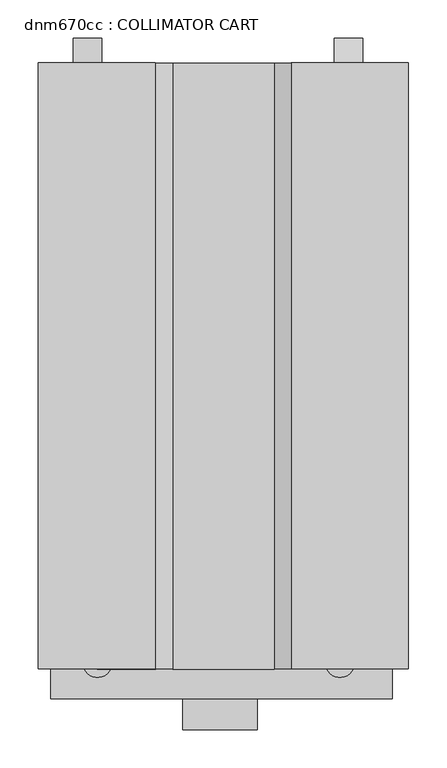
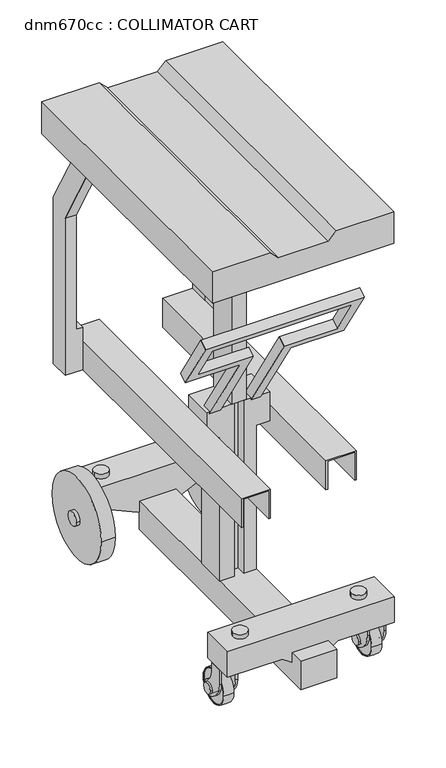
"""IFC4 building model written with IfcOpenShell, lengths in millimetres: proxy geometry, dnm670cc : COLLIMATOR CART."""

from ifc_helpers import new_model, si_unit, point, frame, frame_2d, origin, place, context, project, spatial, polyline, circle_curve, ellipse_curve, trimmed, segment, composite_curve, outline, extrude, faceted_brep, source, transform, mapped, element, save
from ifc_brep_helpers import plane_surface, revolved_surface, advanced_brep


def dnm670cc_collimator_cart_15fbf50c(model_context):
    return source(origin(), model_context, "Body", "SolidModel", [
        advanced_brep(
        [(380.5506847, -702.177546, 28.9965135), (380.5506847, -795.7896241, 28.9965135), (352.5506847, -795.7896241, 28.9965135), (352.5506847, -702.177546, 28.9965135), (352.5506847, -703.9835851, 28.9965135), (352.5506847, -793.9835851, 28.9965135), (380.5506847, -793.9835851, 28.9965135), (380.5506847, -703.9835851, 28.9965135)],
        [
            (0, 1, circle_curve(frame((380.5506847, -748.9835851, 28.9965135), z_axis=(-1.0, 0.0, 0.0), x_axis=(0.0, -1.0000000000000007, 0.0)), 46.8060391)),
            (1, 2, circle_curve(frame((366.5506847, -717.4078321, 28.9965135), z_axis=(0.0, 0.0, -1.0), x_axis=(0.0, 1.0000000000000007, 0.0)), 79.6222664)),
            (2, 3, circle_curve(frame((352.5506847, -748.9835851, 28.9965135), z_axis=(1.0, 0.0, 0.0), x_axis=(0.0, -1.0000000000000007, 0.0)), 46.8060391)),
            (3, 0, circle_curve(frame((366.5506847, -780.559338, 28.9965135), z_axis=(0.0, 0.0, -1.0), x_axis=(0.0, -1.0000000000000007, 0.0)), 79.6222664)),
            (4, 5, circle_curve(frame((352.5506847, -748.9835851, 28.9965135), z_axis=(-1.0, 0.0, 0.0), x_axis=(0.0, -1.0000000000000007, 0.0)), 45.0)),
            (5, 6),
            (6, 7, circle_curve(frame((380.5506847, -748.9835851, 28.9965135), z_axis=(1.0, 0.0, 0.0), x_axis=(0.0, -1.0000000000000007, 0.0)), 45.0)),
            (7, 4),
            (2, 3, circle_curve(frame((352.5506847, -748.9835851, 28.9965135), z_axis=(-1.0, 0.0, 0.0), x_axis=(0.0, 1.0000000000000007, 0.0)), 46.8060391)),
            (4, 5, circle_curve(frame((352.5506847, -748.9835851, 28.9965135), z_axis=(1.0, 0.0, 0.0), x_axis=(0.0, 1.0000000000000007, 0.0)), 45.0)),
            (1, 0, circle_curve(frame((380.5506847, -748.9835851, 28.9965135), z_axis=(-1.0, 0.0, 0.0), x_axis=(0.0, 1.0000000000000007, 0.0)), 46.8060391)),
            (6, 7, circle_curve(frame((380.5506847, -748.9835851, 28.9965135), z_axis=(-1.0, 0.0, 0.0), x_axis=(0.0, 1.0000000000000007, 0.0)), 45.0)),
        ],
        [
            revolved_surface(trimmed(ellipse_curve(frame((366.5506847, -717.4078321, 28.9965135), z_axis=(0.0, 0.0, 1.0), x_axis=(0.0, 1.0000000000000007, 0.0)), 79.6222664, 79.6222664), [point((352.5506847, -795.7896241, 28.9965135))], [point((380.5506847, -795.7896241, 28.9965135))], True, "CARTESIAN"), (373.073476, -748.9835851, 28.9965135), (1.0000000000000007, 0.0, 0.0)),
            revolved_surface(polyline([(380.5506847, -793.9835851, 28.9965135), (352.5506846999999, -793.9835851, 28.9965135)]), (373.073476, -748.9835851, 28.9965135), (1.0000000000000007, 0.0, 0.0)),
            plane_surface(frame((352.5506847, -748.9835851, 28.9965135), z_axis=(-1.0, 0.0, 0.0), x_axis=(0.0, 1.0, 0.0))),
            revolved_surface(trimmed(ellipse_curve(frame((366.5506847, -780.559338, 28.9965135), z_axis=(0.0, 0.0, -1.0), x_axis=(0.0, -1.0000000000000007, 0.0)), 79.6222664, 79.6222664), [point((352.5506847, -702.177546, 28.9965135))], [point((380.5506847, -702.177546, 28.9965135))], True, "CARTESIAN"), (373.073476, -748.9835851, 28.9965135), (1.0000000000000007, 0.0, 0.0)),
            plane_surface(frame((380.5506847, -748.9835851, 28.9965135), z_axis=(1.0, 0.0, 0.0), x_axis=(0.0, 1.0, 0.0))),
            revolved_surface(polyline([(380.5506847, -703.9835851, 28.9965135), (352.5506846999999, -703.9835851, 28.9965135)]), (373.073476, -748.9835851, 28.9965135), (1.0000000000000007, 0.0, 0.0)),
        ],
        [
            (0, [[1, 2, 3, 4]]),
            (1, [[5, 6, 7, 8]]),
            (2, [[9, -3], [10, -5]]),
            (3, [[11, -4, -9, -2]]),
            (4, [[-11, -1], [12, -7]]),
            (5, [[-10, -8, -12, -6]]),
        ],
    ),
        extrude(outline(composite_curve([segment(polyline([(-758.1724211, 10.113577), (-766.9719434, 15.1939835)]), True, "CONTINUOUS"), segment(trimmed(circle_curve(frame_2d((-739.4719434, 62.8253807)), 55.0), [point((-766.9719434, 15.1939835))], [point((-794.4719434, 62.8253807))], False, "CARTESIAN"), True, "CONTINUOUS"), segment(polyline([(-794.4719434, 62.8253807), (-794.4719434, 105.9965135), (-759.4719434, 105.9965135), (-759.4719434, 80.3030944)]), True, "CONTINUOUS"), segment(trimmed(circle_curve(frame_2d((-721.8233227, 80.3030944)), 37.6486207), [point((-759.4719434, 80.3030944))], [point((-742.8702564, 49.0869892))], True, "CARTESIAN"), True, "CONTINUOUS"), segment(trimmed(circle_curve(frame_2d((-748.9835851, 28.9965135)), 21.0), [point((-742.8702564, 49.0869892))], [point((-758.1724211, 10.113577))], False, "CARTESIAN"), True, "CONTINUOUS")], self_intersect=False)), frame((341.573476, 0.0, 0.0), z_axis=(1.0, 0.0, 0.0), x_axis=(0.0, 1.0, 0.0)), (0.0, 0.0, 1.0), 6.0),
        extrude(outline(polyline([(385.573476, -794.4719434), (347.573476, -794.4719434), (347.573476, -759.4719434), (385.573476, -759.4719434), (385.573476, -794.4719434)])), frame((0.0, 0.0, 99.9965135), z_axis=(0.0, 0.0, 1.0), x_axis=(1.0, 0.0, 0.0)), (0.0, 0.0, 1.0), 6.0),
        extrude(outline(composite_curve([segment(polyline([(-758.1724211, 10.113577), (-766.9719434, 15.1939835)]), True, "CONTINUOUS"), segment(trimmed(circle_curve(frame_2d((-739.4719434, 62.8253807)), 55.0), [point((-766.9719434, 15.1939835))], [point((-794.4719434, 62.8253807))], False, "CARTESIAN"), True, "CONTINUOUS"), segment(polyline([(-794.4719434, 62.8253807), (-794.4719434, 105.9965135), (-759.4719434, 105.9965135), (-759.4719434, 80.3030944)]), True, "CONTINUOUS"), segment(trimmed(circle_curve(frame_2d((-721.8233227, 80.3030944)), 37.6486207), [point((-759.4719434, 80.3030944))], [point((-742.8702564, 49.0869892))], True, "CARTESIAN"), True, "CONTINUOUS"), segment(trimmed(circle_curve(frame_2d((-748.9835851, 28.9965135)), 21.0), [point((-742.8702564, 49.0869892))], [point((-758.1724211, 10.113577))], False, "CARTESIAN"), True, "CONTINUOUS")], self_intersect=False)), frame((385.573476, 0.0, 0.0), z_axis=(1.0, 0.0, 0.0), x_axis=(0.0, 1.0, 0.0)), (0.0, 0.0, 1.0), 6.0),
        extrude(outline(composite_curve([segment(trimmed(circle_curve(frame_2d((-748.9835851, 28.9965135)), 15.0), [point((-763.9835851, 28.9965135))], [point((-733.9835851, 28.9965135))], False, "CARTESIAN"), True, "CONTINUOUS"), segment(trimmed(circle_curve(frame_2d((-748.9835851, 28.9965135)), 15.0), [point((-733.9835851, 28.9965135))], [point((-763.9835851, 28.9965135))], False, "CARTESIAN"), True, "CONTINUOUS")], self_intersect=False)), frame((335.573476, 0.0, 0.0), z_axis=(1.0, 0.0, 0.0), x_axis=(0.0, 1.0, 0.0)), (0.0, 0.0, 1.0), 62.0),
        extrude(outline(composite_curve([segment(trimmed(circle_curve(frame_2d((-748.9835851, 28.9965135)), 45.0), [point((-793.9835851, 28.9965135))], [point((-703.9835851, 28.9965135))], False, "CARTESIAN"), True, "CONTINUOUS"), segment(trimmed(circle_curve(frame_2d((-748.9835851, 28.9965135)), 45.0), [point((-703.9835851, 28.9965135))], [point((-793.9835851, 28.9965135))], False, "CARTESIAN"), True, "CONTINUOUS")], self_intersect=False)), frame((354.073476, 0.0, 0.0), z_axis=(1.0, 0.0, 0.0), x_axis=(0.0, 1.0, 0.0)), (0.0, 0.0, 1.0), 25.0),
        advanced_brep(
        [(-16.3243153, -702.177546, 28.9965135), (-16.3243153, -795.7896241, 28.9965135), (-44.3243153, -795.7896241, 28.9965135), (-44.3243153, -702.177546, 28.9965135), (-44.3243153, -703.9835851, 28.9965135), (-44.3243153, -793.9835851, 28.9965135), (-16.3243153, -793.9835851, 28.9965135), (-16.3243153, -703.9835851, 28.9965135)],
        [
            (0, 1, circle_curve(frame((-16.3243153, -748.9835851, 28.9965135), z_axis=(-1.0, 0.0, 0.0), x_axis=(0.0, -1.0000000000000007, 0.0)), 46.8060391)),
            (1, 2, circle_curve(frame((-30.3243153, -717.4078321, 28.9965135), z_axis=(0.0, 0.0, -1.0), x_axis=(0.0, 1.0000000000000007, 0.0)), 79.6222664)),
            (2, 3, circle_curve(frame((-44.3243153, -748.9835851, 28.9965135), z_axis=(1.0, 0.0, 0.0), x_axis=(0.0, -1.0000000000000007, 0.0)), 46.8060391)),
            (3, 0, circle_curve(frame((-30.3243153, -780.559338, 28.9965135), z_axis=(0.0, 0.0, -1.0), x_axis=(0.0, -1.0000000000000007, 0.0)), 79.6222664)),
            (4, 5, circle_curve(frame((-44.3243153, -748.9835851, 28.9965135), z_axis=(-1.0, 0.0, 0.0), x_axis=(0.0, -1.0000000000000007, 0.0)), 45.0)),
            (5, 6),
            (6, 7, circle_curve(frame((-16.3243153, -748.9835851, 28.9965135), z_axis=(1.0, 0.0, 0.0), x_axis=(0.0, -1.0000000000000007, 0.0)), 45.0)),
            (7, 4),
            (2, 3, circle_curve(frame((-44.3243153, -748.9835851, 28.9965135), z_axis=(-1.0, 0.0, 0.0), x_axis=(0.0, 1.0000000000000007, 0.0)), 46.8060391)),
            (4, 5, circle_curve(frame((-44.3243153, -748.9835851, 28.9965135), z_axis=(1.0, 0.0, 0.0), x_axis=(0.0, 1.0000000000000007, 0.0)), 45.0)),
            (1, 0, circle_curve(frame((-16.3243153, -748.9835851, 28.9965135), z_axis=(-1.0, 0.0, 0.0), x_axis=(0.0, 1.0000000000000007, 0.0)), 46.8060391)),
            (6, 7, circle_curve(frame((-16.3243153, -748.9835851, 28.9965135), z_axis=(-1.0, 0.0, 0.0), x_axis=(0.0, 1.0000000000000007, 0.0)), 45.0)),
        ],
        [
            revolved_surface(trimmed(ellipse_curve(frame((-30.3243153, -717.4078321, 28.9965135), z_axis=(0.0, 0.0, 1.0), x_axis=(0.0, 1.0000000000000007, 0.0)), 79.6222664, 79.6222664), [point((-44.3243153, -795.7896241, 28.9965135))], [point((-16.3243153, -795.7896241, 28.9965135))], True, "CARTESIAN"), (-23.801524, -748.9835851, 28.9965135), (1.0000000000000007, 0.0, 0.0)),
            revolved_surface(polyline([(-16.324315299999988, -793.9835851, 28.9965135), (-44.32431530000003, -793.9835851, 28.9965135)]), (-23.801524, -748.9835851, 28.9965135), (1.0000000000000007, 0.0, 0.0)),
            plane_surface(frame((-44.3243153, -748.9835851, 28.9965135), z_axis=(-1.0, 0.0, 0.0), x_axis=(0.0, 1.0, 0.0))),
            revolved_surface(trimmed(ellipse_curve(frame((-30.3243153, -780.559338, 28.9965135), z_axis=(0.0, 0.0, -1.0), x_axis=(0.0, -1.0000000000000007, 0.0)), 79.6222664, 79.6222664), [point((-44.3243153, -702.177546, 28.9965135))], [point((-16.3243153, -702.177546, 28.9965135))], True, "CARTESIAN"), (-23.801524, -748.9835851, 28.9965135), (1.0000000000000007, 0.0, 0.0)),
            plane_surface(frame((-16.3243153, -748.9835851, 28.9965135), z_axis=(1.0, 0.0, 0.0), x_axis=(0.0, 1.0, 0.0))),
            revolved_surface(polyline([(-16.324315299999988, -703.9835851, 28.9965135), (-44.32431530000003, -703.9835851, 28.9965135)]), (-23.801524, -748.9835851, 28.9965135), (1.0000000000000007, 0.0, 0.0)),
        ],
        [
            (0, [[1, 2, 3, 4]]),
            (1, [[5, 6, 7, 8]]),
            (2, [[9, -3], [10, -5]]),
            (3, [[11, -4, -9, -2]]),
            (4, [[-11, -1], [12, -7]]),
            (5, [[-10, -8, -12, -6]]),
        ],
    ),
        extrude(outline(composite_curve([segment(polyline([(-758.1724211, 10.113577), (-766.9719434, 15.1939835)]), True, "CONTINUOUS"), segment(trimmed(circle_curve(frame_2d((-739.4719434, 62.8253807)), 55.0), [point((-766.9719434, 15.1939835))], [point((-794.4719434, 62.8253807))], False, "CARTESIAN"), True, "CONTINUOUS"), segment(polyline([(-794.4719434, 62.8253807), (-794.4719434, 105.9965135), (-759.4719434, 105.9965135), (-759.4719434, 80.3030944)]), True, "CONTINUOUS"), segment(trimmed(circle_curve(frame_2d((-721.8233227, 80.3030944)), 37.6486207), [point((-759.4719434, 80.3030944))], [point((-742.8702564, 49.0869892))], True, "CARTESIAN"), True, "CONTINUOUS"), segment(trimmed(circle_curve(frame_2d((-748.9835851, 28.9965135)), 21.0), [point((-742.8702564, 49.0869892))], [point((-758.1724211, 10.113577))], False, "CARTESIAN"), True, "CONTINUOUS")], self_intersect=False)), frame((-55.301524, 0.0, 0.0), z_axis=(1.0, 0.0, 0.0), x_axis=(0.0, 1.0, 0.0)), (0.0, 0.0, 1.0), 6.0),
        extrude(outline(polyline([(-11.301524, -794.4719434), (-49.301524, -794.4719434), (-49.301524, -759.4719434), (-11.301524, -759.4719434), (-11.301524, -794.4719434)])), frame((0.0, 0.0, 99.9965135), z_axis=(0.0, 0.0, 1.0), x_axis=(1.0, 0.0, 0.0)), (0.0, 0.0, 1.0), 6.0),
        extrude(outline(composite_curve([segment(polyline([(-758.1724211, 10.113577), (-766.9719434, 15.1939835)]), True, "CONTINUOUS"), segment(trimmed(circle_curve(frame_2d((-739.4719434, 62.8253807)), 55.0), [point((-766.9719434, 15.1939835))], [point((-794.4719434, 62.8253807))], False, "CARTESIAN"), True, "CONTINUOUS"), segment(polyline([(-794.4719434, 62.8253807), (-794.4719434, 105.9965135), (-759.4719434, 105.9965135), (-759.4719434, 80.3030944)]), True, "CONTINUOUS"), segment(trimmed(circle_curve(frame_2d((-721.8233227, 80.3030944)), 37.6486207), [point((-759.4719434, 80.3030944))], [point((-742.8702564, 49.0869892))], True, "CARTESIAN"), True, "CONTINUOUS"), segment(trimmed(circle_curve(frame_2d((-748.9835851, 28.9965135)), 21.0), [point((-742.8702564, 49.0869892))], [point((-758.1724211, 10.113577))], False, "CARTESIAN"), True, "CONTINUOUS")], self_intersect=False)), frame((-11.301524, 0.0, 0.0), z_axis=(1.0, 0.0, 0.0), x_axis=(0.0, 1.0, 0.0)), (0.0, 0.0, 1.0), 6.0),
        extrude(outline(composite_curve([segment(trimmed(circle_curve(frame_2d((-748.9835851, 28.9965135)), 15.0), [point((-763.9835851, 28.9965135))], [point((-733.9835851, 28.9965135))], False, "CARTESIAN"), True, "CONTINUOUS"), segment(trimmed(circle_curve(frame_2d((-748.9835851, 28.9965135)), 15.0), [point((-733.9835851, 28.9965135))], [point((-763.9835851, 28.9965135))], False, "CARTESIAN"), True, "CONTINUOUS")], self_intersect=False)), frame((-61.301524, 0.0, 0.0), z_axis=(1.0, 0.0, 0.0), x_axis=(0.0, 1.0, 0.0)), (0.0, 0.0, 1.0), 62.0),
        extrude(outline(composite_curve([segment(trimmed(circle_curve(frame_2d((-748.9835851, 28.9965135)), 45.0), [point((-793.9835851, 28.9965135))], [point((-703.9835851, 28.9965135))], False, "CARTESIAN"), True, "CONTINUOUS"), segment(trimmed(circle_curve(frame_2d((-748.9835851, 28.9965135)), 45.0), [point((-703.9835851, 28.9965135))], [point((-793.9835851, 28.9965135))], False, "CARTESIAN"), True, "CONTINUOUS")], self_intersect=False)), frame((-42.801524, 0.0, 0.0), z_axis=(1.0, 0.0, 0.0), x_axis=(0.0, 1.0, 0.0)), (0.0, 0.0, 1.0), 25.0),
        extrude(outline(composite_curve([segment(trimmed(circle_curve(frame_2d((289.0763618, -79.3326456)), 19.05), [point((270.0263618, -79.3326456))], [point((308.1263618, -79.3326456))], False, "CARTESIAN"), True, "CONTINUOUS"), segment(trimmed(circle_curve(frame_2d((289.0763618, -79.3326456)), 19.05), [point((308.1263618, -79.3326456))], [point((270.0263618, -79.3326456))], False, "CARTESIAN"), True, "CONTINUOUS")], self_intersect=False)), frame((0.0, 0.0, 193.3822133), z_axis=(0.0, 0.0, 1.0), x_axis=(1.0, 0.0, 0.0)), (0.0, 0.0, 1.0), 12.8857815),
        extrude(outline(composite_curve([segment(trimmed(circle_curve(frame_2d((41.4263618, -79.3326456)), 19.05), [point((22.3763618, -79.3326456))], [point((60.4763618, -79.3326456))], False, "CARTESIAN"), True, "CONTINUOUS"), segment(trimmed(circle_curve(frame_2d((41.4263618, -79.3326456)), 19.05), [point((60.4763618, -79.3326456))], [point((22.3763618, -79.3326456))], False, "CARTESIAN"), True, "CONTINUOUS")], self_intersect=False)), frame((0.0, 0.0, 193.3822133), z_axis=(0.0, 0.0, 1.0), x_axis=(1.0, 0.0, 0.0)), (0.0, 0.0, 1.0), 12.8857815),
        extrude(outline(composite_curve([segment(trimmed(circle_curve(frame_2d((323.0924617, -786.3594505)), 19.05), [point((304.0424617, -786.3594505))], [point((342.1424617, -786.3594505))], False, "CARTESIAN"), True, "CONTINUOUS"), segment(trimmed(circle_curve(frame_2d((323.0924617, -786.3594505)), 19.05), [point((342.1424617, -786.3594505))], [point((304.0424617, -786.3594505))], False, "CARTESIAN"), True, "CONTINUOUS")], self_intersect=False)), frame((0.0, 0.0, 180.7196746), z_axis=(0.0, 0.0, 1.0), x_axis=(1.0, 0.0, 0.0)), (0.0, 0.0, 1.0), 12.6088058),
        extrude(outline(composite_curve([segment(trimmed(circle_curve(frame_2d((5.5924617, -786.3594505)), 19.05), [point((-13.4575383, -786.3594505))], [point((24.6424617, -786.3594505))], False, "CARTESIAN"), True, "CONTINUOUS"), segment(trimmed(circle_curve(frame_2d((5.5924617, -786.3594505)), 19.05), [point((24.6424617, -786.3594505))], [point((-13.4575383, -786.3594505))], False, "CARTESIAN"), True, "CONTINUOUS")], self_intersect=False)), frame((0.0, 0.0, 180.7196746), z_axis=(0.0, 0.0, 1.0), x_axis=(1.0, 0.0, 0.0)), (0.0, 0.0, 1.0), 12.6088058),
        extrude(outline(polyline([(-57.15, 0.0), (-57.15, 304.8), (-28.575, 304.8), (-28.575, -25.4), (-177.8, -25.4), (-177.8, -152.4000001), (196.85, -152.4000001), (196.85, -25.4), (53.975, -25.4), (53.975, 304.8), (79.375, 304.8), (79.375, 0.0), (222.25, 0.0), (222.25, -177.8), (-203.2, -177.8), (-203.2, 0.0), (-57.15, 0.0)])), frame((147.1892188, -638.8586079, 826.1671449), z_axis=(0.0, 0.8480480961564295, 0.5299192642331995), x_axis=(1.0, 0.0, 0.0)), (0.0, 0.0, 1.0), 25.4608098),
        faceted_brep([(378.9430518, -0.8990561, 960.7317336), (378.9430518, -106.2720169, 1150.829587), (378.9430518, -176.6596099, 1150.829587), (378.9430518, -56.1601756, 933.4428531), (378.9430518, -56.1601756, 488.4708269), (378.9430518, -0.8990561, 488.4708269), (349.7649266, -56.1601756, 933.4428531), (349.7649266, -176.6596099, 1150.829587), (349.7649266, -106.2720169, 1150.829587), (349.7649266, -0.8990561, 960.7317336), (349.7649266, -0.8990561, 608.7167827), (349.7649266, -56.1601756, 608.7167827), (332.0764903, -56.1601756, 608.7167827), (332.0764903, -56.1601756, 488.4708269), (332.0764903, -0.8990561, 488.4708269), (332.0764903, -0.8990561, 608.7167827)], [[[0, 1, 2, 3, 4, 5]], [[6, 7, 8, 9, 10, 11]], [[1, 0, 9, 8]], [[2, 1, 8, 7]], [[3, 2, 7, 6]], [[4, 3, 6, 11, 12, 13]], [[5, 4, 13, 14]], [[0, 5, 14, 15, 10, 9]], [[10, 15, 12, 11]], [[15, 14, 13, 12]]]),
        faceted_brep([(-41.2740998, -0.8990561, 960.7317336), (-41.2740998, -0.8990561, 488.4708269), (-41.2740998, -56.1601756, 488.4708269), (-41.2740998, -56.1601756, 933.4428531), (-41.2740998, -176.6596099, 1150.829587), (-41.2740998, -106.2720169, 1150.829587), (-12.0959747, -0.8990561, 960.7317336), (-12.0959747, -106.2720169, 1150.829587), (-12.0959747, -176.6596099, 1150.829587), (-12.0959747, -56.1601756, 933.4428531), (-12.0959747, -56.1601756, 608.7167827), (-12.0959747, -0.8990561, 608.7167827), (5.5924617, -56.1601756, 488.4708269), (5.5924617, -56.1601756, 608.7167827), (5.5924617, -0.8990561, 488.4708269), (5.5924617, -0.8990561, 608.7167827)], [[[0, 1, 2, 3, 4, 5]], [[6, 7, 8, 9, 10, 11]], [[0, 5, 7, 6]], [[5, 4, 8, 7]], [[4, 3, 9, 8]], [[3, 2, 12, 13, 10, 9]], [[12, 2, 1, 14]], [[14, 1, 0, 6, 11, 15]], [[15, 11, 10, 13]], [[14, 15, 13, 12]]]),
        extrude(outline(polyline([(187.6543192, -499.520377), (149.085976, -499.520377), (149.085976, -415.4081664), (187.6543192, -415.4081664), (187.6543192, -499.520377)])), frame((0.0, 0.0, 608.7167827), z_axis=(0.0, 0.0, 1.0), x_axis=(1.0, 0.0, 0.0)), (0.0, 0.0, 1.0), 542.1128042),
        extrude(outline(polyline([(1150.829587, 412.864976), (1241.044, 412.864976), (1241.044, 259.321976), (1218.5933597, 236.8713357), (1218.5933597, 103.9726163), (1241.044, 81.521976), (1241.044, -72.021024), (1150.829587, -72.021024), (1150.829587, 412.864976)])), frame((0.0, -794.4719434, 0.0), z_axis=(0.0, 1.0, 0.0), x_axis=(0.0, 0.0, 1.0)), (0.0, 0.0, 1.0), 793.5728873),
        extrude(outline(polyline([(570.6167827, 332.0764903), (570.6167827, 251.3044903), (488.4708269, 251.3044903), (488.4708269, 255.7573943), (567.0317336, 255.7573943), (567.0317336, 328.0198053), (488.4708269, 328.0198053), (488.4708269, 332.0764903), (570.6167827, 332.0764903)])), frame((0.0, -759.4719434, 0.0), z_axis=(0.0, 1.0, 0.0), x_axis=(0.0, 0.0, 1.0)), (0.0, 0.0, 1.0), 758.5728873),
        extrude(outline(polyline([(570.6167827, 5.5924617), (488.4708269, 5.5924617), (488.4708269, 9.9534301), (567.0317336, 9.9534301), (567.0317336, 77.3395577), (488.4708269, 77.3395577), (488.4708269, 81.7924617), (570.6167827, 81.7924617), (570.6167827, 5.5924617)])), frame((0.0, -794.4719434, 0.0), z_axis=(0.0, 1.0, 0.0), x_axis=(0.0, 0.0, 1.0)), (0.0, 0.0, 1.0), 793.5728873),
        faceted_brep([(81.7924617, -415.4081664, 608.7167827), (81.7924617, -499.520377, 608.7167827), (155.435976, -499.520377, 608.7167827), (155.435976, -474.120377, 608.7167827), (180.835976, -474.120377, 608.7167827), (180.835976, -499.520377, 608.7167827), (250.3189709, -499.520377, 608.7167827), (250.3189709, -415.4081664, 608.7167827), (250.3189709, -415.4081664, 526.5708269), (250.3189709, -499.520377, 526.5708269), (214.7754567, -499.520377, 526.5708269), (214.7754567, -440.8081664, 526.5708269), (214.7754567, -415.4081664, 526.5708269), (117.335976, -499.520377, 526.5708269), (81.7924617, -499.520377, 526.5708269), (81.7924617, -415.4081664, 526.5708269), (117.335976, -415.4081664, 526.5708269), (117.335976, -440.8081664, 526.5708269), (117.335976, -499.520377, 118.7364373), (155.435976, -499.520377, 118.7364373), (180.835976, -499.520377, 118.7364373), (214.7754567, -499.520377, 118.7364373), (214.7754567, -415.4081664, 118.7364373), (117.335976, -415.4081664, 118.7364373), (180.835976, -474.120377, 118.7364373), (155.435976, -474.120377, 118.7364373)], [[[0, 1, 2, 3, 4, 5, 6, 7]], [[8, 9, 10, 11, 12]], [[13, 14, 15, 16, 17]], [[1, 0, 15, 14]], [[2, 1, 14, 13, 18, 19]], [[6, 5, 20, 21, 10, 9]], [[7, 6, 9, 8]], [[15, 0, 7, 8, 12, 22, 23, 16]], [[22, 21, 20, 24, 25, 19, 18, 23]], [[23, 18, 13, 17, 16]], [[3, 2, 19, 25]], [[4, 3, 25, 24]], [[5, 4, 24, 20]], [[21, 22, 12, 11, 10]]]),
        extrude(outline(polyline([(108.5699862, -55.301524), (108.5699862, 91.4964442), (90.8693442, 117.335976), (90.8693442, 214.7754567), (108.5699862, 240.6149885), (108.5699862, 391.573476), (180.7196746, 391.573476), (180.7196746, -55.301524), (108.5699862, -55.301524)])), frame((0.0, -833.4315403, 0.0), z_axis=(0.0, 1.0, 0.0), x_axis=(0.0, 0.0, 1.0)), (0.0, 0.0, 1.0), 92.5158431),
        extrude(outline(composite_curve([segment(trimmed(circle_curve(frame_2d((-79.0514554, 94.3630029)), 19.05), [point((-98.1014554, 94.3630029))], [point((-60.0014554, 94.3630029))], False, "CARTESIAN"), True, "CONTINUOUS"), segment(trimmed(circle_curve(frame_2d((-79.0514554, 94.3630029)), 19.05), [point((-60.0014554, 94.3630029))], [point((-98.1014554, 94.3630029))], False, "CARTESIAN"), True, "CONTINUOUS")], self_intersect=False)), frame((353.2424227, 0.0, 0.0), z_axis=(1.0, 0.0, 0.0), x_axis=(0.0, 1.0, 0.0)), (0.0, 0.0, 1.0), 5.0258296),
        extrude(outline(composite_curve([segment(trimmed(circle_curve(frame_2d((-82.7025786, 95.8699862)), 114.3), [point((-197.0025786, 95.8699862))], [point((31.5974214, 95.8699862))], False, "CARTESIAN"), True, "CONTINUOUS"), segment(trimmed(circle_curve(frame_2d((-82.7025786, 95.8699862)), 114.3), [point((31.5974214, 95.8699862))], [point((-197.0025786, 95.8699862))], False, "CARTESIAN"), True, "CONTINUOUS")], self_intersect=False)), frame((315.8102928, 0.0, 0.0), z_axis=(1.0, 0.0, 0.0), x_axis=(0.0, 1.0, 0.0)), (0.0, 0.0, 1.0), 37.4321299),
        extrude(outline(composite_curve([segment(trimmed(circle_curve(frame_2d((-79.0514554, 94.3630029)), 19.05), [point((-98.1014554, 94.3630029))], [point((-60.0014554, 94.3630029))], False, "CARTESIAN"), True, "CONTINUOUS"), segment(trimmed(circle_curve(frame_2d((-79.0514554, 94.3630029)), 19.05), [point((-60.0014554, 94.3630029))], [point((-98.1014554, 94.3630029))], False, "CARTESIAN"), True, "CONTINUOUS")], self_intersect=False)), frame((-35.8011688, 0.0, 0.0), z_axis=(1.0, 0.0, 0.0), x_axis=(0.0, 1.0, 0.0)), (0.0, 0.0, 1.0), 9.8480041),
        extrude(outline(polyline([(121.1066153, 315.8102928), (193.3822133, 315.8102928), (193.3822133, 6.6567907), (121.1066153, 6.6567907), (121.1066153, 41.4263618), (87.9579978, 112.5138014), (87.9579978, 209.9532821), (121.1066153, 281.0407218), (121.1066153, 315.8102928)])), frame((0.0, -125.1436979, 0.0), z_axis=(0.0, 1.0, 0.0), x_axis=(0.0, 0.0, 1.0)), (0.0, 0.0, 1.0), 94.3468933),
        extrude(outline(composite_curve([segment(trimmed(circle_curve(frame_2d((-82.7025786, 95.8699862)), 114.3), [point((-197.0025786, 95.8699862))], [point((31.5974214, 95.8699862))], False, "CARTESIAN"), True, "CONTINUOUS"), segment(trimmed(circle_curve(frame_2d((-82.7025786, 95.8699862)), 114.3), [point((31.5974214, 95.8699862))], [point((-197.0025786, 95.8699862))], False, "CARTESIAN"), True, "CONTINUOUS")], self_intersect=False)), frame((-25.9531646, 0.0, 0.0), z_axis=(1.0, 0.0, 0.0), x_axis=(0.0, 1.0, 0.0)), (0.0, 0.0, 1.0), 37.4321299),
        extrude(outline(polyline([(214.7754567, -125.1436979), (214.7754567, -873.8970561), (117.335976, -873.8970561), (117.335976, -125.1436979), (214.7754567, -125.1436979)])), frame((0.0, 0.0, 38.2945383), z_axis=(0.0, 0.0, 1.0), x_axis=(1.0, 0.0, 0.0)), (0.0, 0.0, 1.0), 80.441899),
    ])


if __name__ == "__main__":
    model = new_model("IFC4")
    model_context = context("Model", 3, world=origin())
    ifc_project = project(units=[si_unit("LENGTHUNIT", "METRE", prefix="MILLI")], contexts=[model_context])
    site = spatial("IfcSite", under=ifc_project)
    building = spatial("IfcBuilding", under=site)
    placement = place(None, origin())
    dnm670cc_collimator_cart_shape = dnm670cc_collimator_cart_15fbf50c(model_context)
    element("IfcBuildingElementProxy", 1, Name="dnm670cc : COLLIMATOR CART", ObjectType="dnm670cc : COLLIMATOR CART", at=placement, inside=building, context=model_context, shape_type="MappedRepresentation", body=[
        mapped(dnm670cc_collimator_cart_shape, transform((0.0, 0.0, 0.0), x_axis=(1.0, 0.0, 0.0), y_axis=(0.0, 1.0, 0.0), z_axis=(0.0, 0.0, 1.0))),
    ])
    save(model, "model.ifc")
